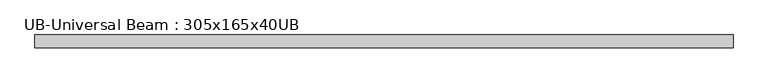
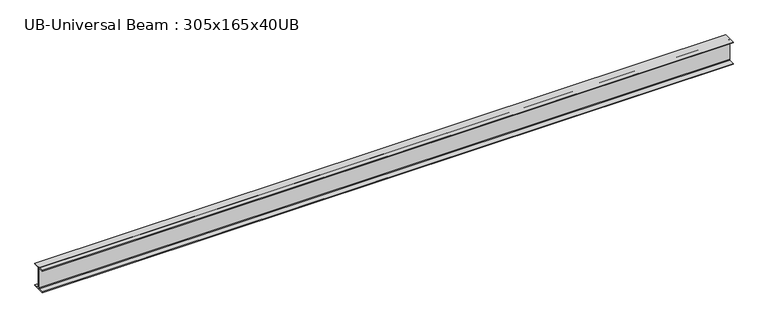
"""IFC4 building model written with IfcOpenShell, lengths in millimetres: beam geometry, UB-Universal Beam : 305x165x40UB."""

from ifc_helpers import new_model, si_unit, point, frame, frame_2d, origin, place, context, project, spatial, polyline, circle_curve, trimmed, segment, composite_curve, outline, extrude, source, transform, mapped, element, save


def ub_universal_beam_305x165x40ub_9ce3ed60(model_context):
    return source(origin(), model_context, "Body", "SweptSolid", [
        extrude(outline(composite_curve([segment(polyline([(82.5, -141.5), (82.5, -151.7), (-82.5, -151.7), (-82.5, -141.5), (-11.9, -141.5)]), True, "CONTINUOUS"), segment(trimmed(circle_curve(frame_2d((-11.9, -132.6)), 8.9), [point((-11.9, -141.5))], [point((-3.0, -132.6))], True, "CARTESIAN"), True, "CONTINUOUS"), segment(polyline([(-3.0, -132.6), (-3.0, 132.6)]), True, "CONTINUOUS"), segment(trimmed(circle_curve(frame_2d((-11.9, 132.6)), 8.9), [point((-3.0, 132.6))], [point((-11.9, 141.5))], True, "CARTESIAN"), True, "CONTINUOUS"), segment(polyline([(-11.9, 141.5), (-82.5, 141.5), (-82.5, 151.7), (82.5, 151.7), (82.5, 141.5), (11.9, 141.5)]), True, "CONTINUOUS"), segment(trimmed(circle_curve(frame_2d((11.9, 132.6)), 8.9), [point((11.9, 141.5))], [point((3.0, 132.6))], True, "CARTESIAN"), True, "CONTINUOUS"), segment(polyline([(3.0, 132.6), (3.0, -132.6)]), True, "CONTINUOUS"), segment(trimmed(circle_curve(frame_2d((11.9, -132.6)), 8.9), [point((3.0, -132.6))], [point((11.9, -141.5))], True, "CARTESIAN"), True, "CONTINUOUS"), segment(polyline([(11.9, -141.5), (82.5, -141.5)]), True, "CONTINUOUS")], self_intersect=False)), frame((-4550.0, 0.0, 0.0), z_axis=(1.0, 0.0, 0.0), x_axis=(0.0, 1.0, 0.0)), (0.0, 0.0, 1.0), 8955.3),
    ])


if __name__ == "__main__":
    model = new_model("IFC4")
    model_context = context("Model", 3, world=origin())
    ifc_project = project(units=[si_unit("LENGTHUNIT", "METRE", prefix="MILLI")], contexts=[model_context])
    site = spatial("IfcSite", under=ifc_project)
    building = spatial("IfcBuilding", under=site)
    placement = place(None, origin())
    ub_universal_beam_305x165x40ub_shape = ub_universal_beam_305x165x40ub_9ce3ed60(model_context)
    element("IfcBeam", 1, ObjectType="UB-Universal Beam : 305x165x40UB", at=placement, inside=building, context=model_context, shape_type="MappedRepresentation", body=[
        mapped(ub_universal_beam_305x165x40ub_shape, transform((0.0, 0.0, 0.0), x_axis=(1.0, 0.0, 0.0), y_axis=(0.0, 1.0, 0.0), z_axis=(0.0, 0.0, 1.0))),
    ])
    save(model, "model.ifc")
